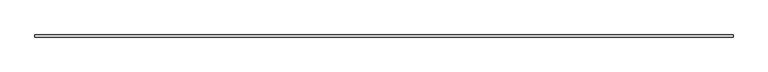
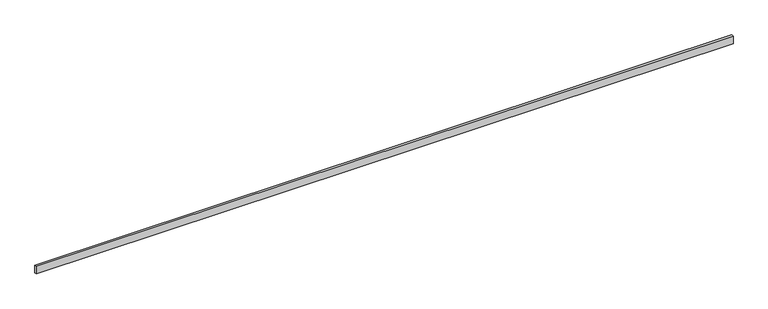
"""IFC4 building model written with IfcOpenShell, lengths in millimetres: beam geometry."""

from ifc_helpers import new_model, si_unit, frame, origin, place, context, project, spatial, polyline, outline, extrude, source, transform, mapped, element, save


def beam_c4e343a8(model_context):
    return source(origin(), model_context, "Body", "SweptSolid", [
        extrude(outline(polyline([(6172.2, -19.05), (-6172.2, -19.05), (-6172.2, 19.05), (6172.2, 19.05), (6172.2, -19.05)])), frame((0.0, 0.0, -69.85), z_axis=(0.0, 0.0, 1.0), x_axis=(1.0, 0.0, 0.0)), (0.0, 0.0, 1.0), 139.7),
    ])


if __name__ == "__main__":
    model = new_model("IFC4")
    model_context = context("Model", 3, world=origin())
    ifc_project = project(units=[si_unit("LENGTHUNIT", "METRE", prefix="MILLI")], contexts=[model_context])
    site = spatial("IfcSite", under=ifc_project)
    building = spatial("IfcBuilding", under=site)
    placement = place(None, origin())
    beam_shape = beam_c4e343a8(model_context)
    element("IfcBeam", 1, at=placement, inside=building, context=model_context, shape_type="MappedRepresentation", body=[
        mapped(beam_shape, transform((0.0, 0.0, 0.0), x_axis=(1.0, 0.0, 0.0), y_axis=(0.0, 1.0, 0.0), z_axis=(0.0, 0.0, 1.0))),
    ])
    save(model, "model.ifc")
